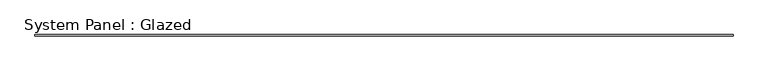
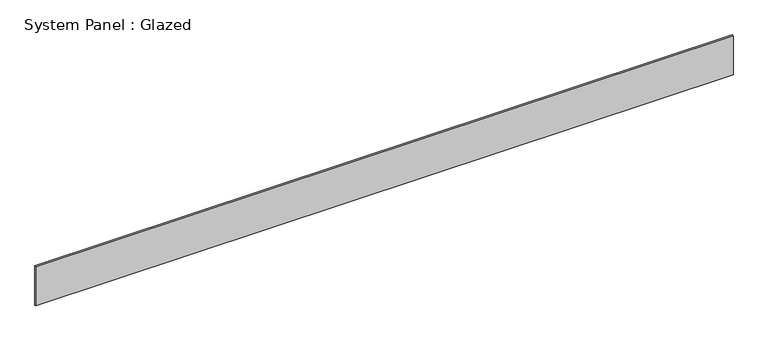
"""IFC4 building model written with IfcOpenShell, lengths in millimetres: plate geometry, System Panel : Glazed."""

from ifc_helpers import new_model, si_unit, origin, origin_with_axes, place, context, project, spatial, polyline, outline, extrude, source, transform, mapped, element, save


def system_panel_glazed_cebbe914(model_context):
    return source(origin(), model_context, "Body", "SweptSolid", [
        extrude(outline(polyline([(7142.6829015, 24.5), (-7142.6829015, 24.5), (-7142.6829015, 49.5), (7142.6829015, 49.5), (7142.6829015, 24.5)])), origin_with_axes(), (0.0, 0.0, 1.0), 850.0),
    ])


if __name__ == "__main__":
    model = new_model("IFC4")
    model_context = context("Model", 3, world=origin())
    ifc_project = project(units=[si_unit("LENGTHUNIT", "METRE", prefix="MILLI")], contexts=[model_context])
    site = spatial("IfcSite", under=ifc_project)
    building = spatial("IfcBuilding", under=site)
    placement = place(None, origin())
    system_panel_glazed_shape = system_panel_glazed_cebbe914(model_context)
    element("IfcPlate", 1, ObjectType="System Panel : Glazed", at=placement, inside=building, context=model_context, shape_type="MappedRepresentation", body=[
        mapped(system_panel_glazed_shape, transform((0.0, 0.0, 0.0), x_axis=(1.0, 0.0, 0.0), y_axis=(0.0, 1.0, 0.0), z_axis=(0.0, 0.0, 1.0))),
    ])
    save(model, "model.ifc")
